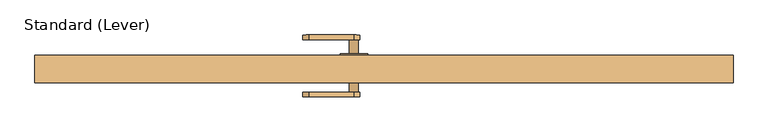
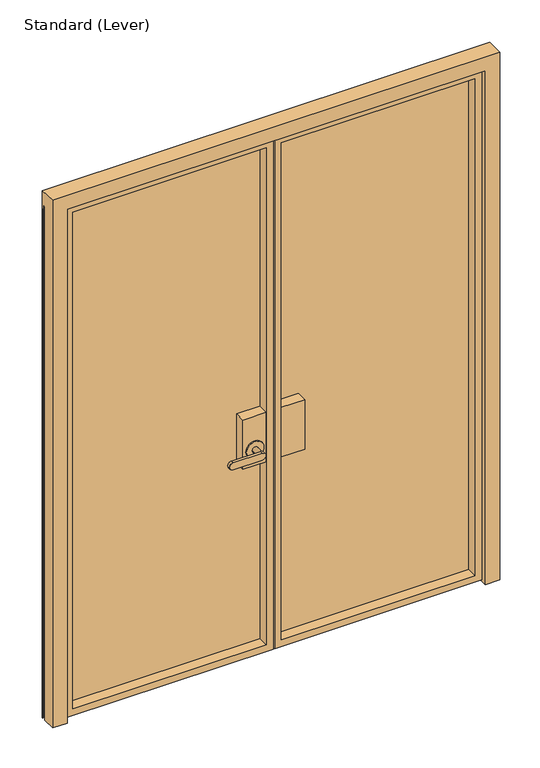
"""IFC4 building model written with IfcOpenShell, lengths in millimetres: door geometry, Standard (Lever)."""

from ifc_helpers import new_model, si_unit, frame, origin, place, context, project, spatial, polyline, circle_curve, outline, extrude, faceted_brep, source, transform, mapped, element, save
from ifc_brep_helpers import plane_surface, cylinder_surface, advanced_brep


def standard_lever_73b0fbd7(model_context):
    return source(origin(), model_context, "Body", "SolidModel", [
        extrude(outline(polyline([(33.3375, -20.6375), (33.3375, 26.9875), (134.9375, 26.9875), (134.9375, -20.6375), (33.3375, -20.6375)])), frame((0.0, 0.0, 889.0), z_axis=(0.0, 0.0, 1.0), x_axis=(1.0, 0.0, 0.0)), (0.0, 0.0, 1.0), 228.6),
        extrude(outline(polyline([(33.3375, 36.5125), (33.3375, 38.1), (134.9375, 38.1), (134.9375, 36.5125), (33.3375, 36.5125)])), frame((0.0, 0.0, 889.0), z_axis=(0.0, 0.0, 1.0), x_axis=(1.0, 0.0, 0.0)), (0.0, 0.0, 1.0), 228.6),
        advanced_brep(
        [(-33.3375, -20.6375, 1117.6), (-33.3375, 26.9875, 1117.6), (-134.9375, 26.9875, 1117.6), (-134.9375, -20.6375, 1117.6), (-33.3375, -20.6375, 889.0), (-134.9375, -20.6375, 889.0), (-134.9375, 26.9875, 889.0), (-33.3375, 26.9875, 889.0), (-46.0375, -20.6375, 965.2), (-122.2375, -20.6375, 965.2), (-71.4375, -25.4, 965.2), (-71.4375, -65.0875, 965.2), (-96.8375, -65.0875, 965.2), (-96.8375, -25.4, 965.2), (-46.0375, -25.4, 965.2), (-122.2375, -25.4, 965.2), (-84.1375, -65.0875, 949.325), (-211.1375, -65.0875, 949.325), (-211.1375, -65.0875, 981.075), (-84.1375, -65.0875, 981.075), (-84.1375, -77.7875, 949.325), (-84.1375, -77.7875, 981.075), (-211.1375, -77.7875, 981.075), (-211.1375, -77.7875, 949.325)],
        [
            (0, 1),
            (1, 2),
            (2, 3),
            (3, 0),
            (4, 5),
            (5, 6),
            (6, 7),
            (7, 4),
            (0, 4),
            (7, 1),
            (6, 2),
            (5, 3),
            (8, 9, circle_curve(frame((-84.1375, -20.6375, 965.2), z_axis=(0.0, 1.0, 0.0), x_axis=(-1.0, 0.0, 0.0)), 38.1)),
            (9, 8, circle_curve(frame((-84.1375, -20.6375, 965.2), z_axis=(0.0, 1.0, 0.0), x_axis=(-1.0, 0.0, 0.0)), 38.1)),
            (10, 11),
            (11, 12, circle_curve(frame((-84.1375, -65.0875, 965.2), z_axis=(0.0, 1.0, 0.0), x_axis=(-1.0, 0.0, 0.0)), 12.7)),
            (12, 13),
            (13, 10, circle_curve(frame((-84.1375, -25.4, 965.2), z_axis=(0.0, -1.0, 0.0), x_axis=(-1.0, 0.0, 0.0)), 12.7)),
            (10, 13, circle_curve(frame((-84.1375, -25.4, 965.2), z_axis=(0.0, -1.0, 0.0), x_axis=(-1.0, 0.0, 0.0)), 12.7)),
            (12, 11, circle_curve(frame((-84.1375, -65.0875, 965.2), z_axis=(0.0, 1.0, 0.0), x_axis=(-1.0, 0.0, 0.0)), 12.7)),
            (14, 15, circle_curve(frame((-84.1375, -25.4, 965.2), z_axis=(0.0, -1.0, 0.0), x_axis=(-1.0, 0.0, 0.0)), 38.1)),
            (15, 14, circle_curve(frame((-84.1375, -25.4, 965.2), z_axis=(0.0, -1.0, 0.0), x_axis=(-1.0, 0.0, 0.0)), 38.1)),
            (15, 9),
            (8, 14),
            (16, 17),
            (17, 18, circle_curve(frame((-211.1375, -65.0875, 965.2), z_axis=(0.0, 1.0, 0.0), x_axis=(-1.0, 0.0, 0.0)), 15.875)),
            (18, 19),
            (19, 16, circle_curve(frame((-84.1375, -65.0875, 965.2), z_axis=(0.0, 1.0, 0.0), x_axis=(-1.0, 0.0, 0.0)), 15.875)),
            (20, 21, circle_curve(frame((-84.1375, -77.7875, 965.2), z_axis=(0.0, -1.0, 0.0), x_axis=(-1.0, 0.0, 0.0)), 15.875)),
            (21, 22),
            (22, 23, circle_curve(frame((-211.1375, -77.7875, 965.2), z_axis=(0.0, -1.0, 0.0), x_axis=(-1.0, 0.0, 0.0)), 15.875)),
            (23, 20),
            (16, 20),
            (23, 17),
            (22, 18),
            (21, 19),
        ],
        [
            plane_surface(frame((-33.3375, -87.8442978, 1117.6), z_axis=(0.0, 0.0, 1.0), x_axis=(0.0, 1.0, 0.0))),
            plane_surface(frame((-33.3375, -87.8442978, 889.0), z_axis=(0.0, 0.0, -1.0), x_axis=(0.0, -1.0, 0.0))),
            plane_surface(frame((-33.3375, -20.6375, 1117.6), z_axis=(1.0, 0.0, 0.0), x_axis=(0.0, 0.0, -1.0))),
            plane_surface(frame((-33.3375, 26.9875, 1117.6), z_axis=(0.0, 1.0, 0.0), x_axis=(0.0, 0.0, -1.0))),
            plane_surface(frame((-134.9375, 26.9875, 1117.6), z_axis=(-1.0, 0.0, 0.0), x_axis=(0.0, 0.0, -1.0))),
            plane_surface(frame((-134.9375, -20.6375, 1117.6), z_axis=(0.0, -1.0, 0.0), x_axis=(0.0, 0.0, -1.0))),
            cylinder_surface(frame((-84.1375, -65.0875, 965.2), z_axis=(0.0, 1.0, 0.0), x_axis=(-1.0, 0.0, 0.0)), 12.7),
            plane_surface(frame((-122.2375, -25.4, 965.2), z_axis=(0.0, -1.0, 0.0), x_axis=(0.0, 0.0, -1.0))),
            cylinder_surface(frame((-84.1375, -25.4, 965.2), z_axis=(0.0, 1.0, 0.0), x_axis=(-1.0, 0.0, 0.0)), 38.1),
            plane_surface(frame((-84.1375, -65.0875, 949.325), z_axis=(0.0, 1.0, 0.0), x_axis=(-1.0, 0.0, 0.0))),
            plane_surface(frame((-84.1375, -77.7875, 949.325), z_axis=(0.0, -1.0, 0.0), x_axis=(1.0, 0.0, 0.0))),
            plane_surface(frame((-84.1375, -65.0875, 949.325), z_axis=(0.0, 0.0, -1.0), x_axis=(0.0, -1.0, 0.0))),
            cylinder_surface(frame((-211.1375, -77.7875, 965.2), z_axis=(0.0, 1.0, 0.0), x_axis=(-1.0, 0.0, 0.0)), 15.875),
            plane_surface(frame((-211.1375, -65.0875, 981.075), z_axis=(0.0, 0.0, 1.0), x_axis=(0.0, -1.0, 0.0))),
            cylinder_surface(frame((-84.1375, -77.7875, 965.2), z_axis=(0.0, 1.0, 0.0), x_axis=(-1.0, 0.0, 0.0)), 15.875),
        ],
        [
            (0, [[1, 2, 3, 4]]),
            (1, [[5, 6, 7, 8]]),
            (2, [[-1, 9, -8, 10]]),
            (3, [[-2, -10, -7, 11]]),
            (4, [[-3, -11, -6, 12]]),
            (5, [[-4, -12, -5, -9], [13, 14]]),
            (6, [[15, 16, 17, 18]]),
            (6, [[-15, 19, -17, 20]]),
            (7, [[21, 22], [-18, -19]]),
            (8, [[-22, 23, -13, 24]]),
            (8, [[-21, -24, -14, -23]]),
            (9, [[25, 26, 27, 28], [-16, -20]]),
            (10, [[29, 30, 31, 32]]),
            (11, [[-25, 33, -32, 34]]),
            (12, [[-26, -34, -31, 35]]),
            (13, [[-27, -35, -30, 36]]),
            (14, [[-28, -36, -29, -33]]),
        ],
    ),
        advanced_brep(
        [(-33.3375, 36.5125, 1117.6), (-33.3375, 38.1, 1117.6), (-134.9375, 38.1, 1117.6), (-134.9375, 36.5125, 1117.6), (-33.3375, 36.5125, 889.0), (-134.9375, 36.5125, 889.0), (-134.9375, 38.1, 889.0), (-33.3375, 38.1, 889.0), (-46.0375, 42.8625, 965.2), (-122.2375, 42.8625, 965.2), (-96.8375, 42.8625, 965.2), (-71.4375, 42.8625, 965.2), (-46.0375, 38.1, 965.2), (-122.2375, 38.1, 965.2), (-71.4375, 82.55, 965.2), (-96.8375, 82.55, 965.2), (-211.1375, 95.25, 949.325), (-211.1375, 95.25, 981.075), (-84.1375, 95.25, 981.075), (-84.1375, 95.25, 949.325), (-211.1375, 82.55, 949.325), (-84.1375, 82.55, 949.325), (-84.1375, 82.55, 981.075), (-211.1375, 82.55, 981.075)],
        [
            (0, 1),
            (1, 2),
            (2, 3),
            (3, 0),
            (4, 5),
            (5, 6),
            (6, 7),
            (7, 4),
            (0, 4),
            (7, 1),
            (2, 6),
            (5, 3),
            (8, 9, circle_curve(frame((-84.1375, 42.8625, 965.2), z_axis=(0.0, 1.0, 0.0), x_axis=(-1.0, 0.0, 0.0)), 38.1)),
            (9, 8, circle_curve(frame((-84.1375, 42.8625, 965.2), z_axis=(0.0, 1.0, 0.0), x_axis=(-1.0, 0.0, 0.0)), 38.1)),
            (10, 11, circle_curve(frame((-84.1375, 42.8625, 965.2), z_axis=(0.0, -1.0, 0.0), x_axis=(-1.0, 0.0, 0.0)), 12.7)),
            (11, 10, circle_curve(frame((-84.1375, 42.8625, 965.2), z_axis=(0.0, -1.0, 0.0), x_axis=(-1.0, 0.0, 0.0)), 12.7)),
            (8, 12),
            (12, 13, circle_curve(frame((-84.1375, 38.1, 965.2), z_axis=(0.0, 1.0, 0.0), x_axis=(-1.0, 0.0, 0.0)), 38.1)),
            (13, 9),
            (13, 12, circle_curve(frame((-84.1375, 38.1, 965.2), z_axis=(0.0, 1.0, 0.0), x_axis=(-1.0, 0.0, 0.0)), 38.1)),
            (14, 11),
            (10, 15),
            (15, 14, circle_curve(frame((-84.1375, 82.55, 965.2), z_axis=(0.0, -1.0, 0.0), x_axis=(-1.0, 0.0, 0.0)), 12.7)),
            (14, 15, circle_curve(frame((-84.1375, 82.55, 965.2), z_axis=(0.0, -1.0, 0.0), x_axis=(-1.0, 0.0, 0.0)), 12.7)),
            (16, 17, circle_curve(frame((-211.1375, 95.25, 965.2), z_axis=(0.0, 1.0, 0.0), x_axis=(-1.0, 0.0, 0.0)), 15.875)),
            (17, 18),
            (18, 19, circle_curve(frame((-84.1375, 95.25, 965.2), z_axis=(0.0, 1.0, 0.0), x_axis=(-1.0, 0.0, 0.0)), 15.875)),
            (19, 16),
            (20, 21),
            (21, 22, circle_curve(frame((-84.1375, 82.55, 965.2), z_axis=(0.0, -1.0, 0.0), x_axis=(-1.0, 0.0, 0.0)), 15.875)),
            (22, 23),
            (23, 20, circle_curve(frame((-211.1375, 82.55, 965.2), z_axis=(0.0, -1.0, 0.0), x_axis=(-1.0, 0.0, 0.0)), 15.875)),
            (16, 20),
            (23, 17),
            (22, 18),
            (21, 19),
        ],
        [
            plane_surface(frame((-33.3375, -87.8442978, 1117.6), z_axis=(0.0, 0.0, 1.0), x_axis=(0.0, 1.0, 0.0))),
            plane_surface(frame((-33.3375, -87.8442978, 889.0), z_axis=(0.0, 0.0, -1.0), x_axis=(0.0, -1.0, 0.0))),
            plane_surface(frame((-33.3375, 36.5125, 1117.6), z_axis=(1.0, 0.0, 0.0), x_axis=(0.0, 0.0, -1.0))),
            plane_surface(frame((-134.9375, 38.1, 1117.6), z_axis=(-1.0, 0.0, 0.0), x_axis=(0.0, 0.0, -1.0))),
            plane_surface(frame((-134.9375, 36.5125, 1117.6), z_axis=(0.0, -1.0, 0.0), x_axis=(0.0, 0.0, -1.0))),
            plane_surface(frame((-122.2375, 42.8625, 965.2), z_axis=(0.0, 1.0, 0.0), x_axis=(0.0, 0.0, 1.0))),
            cylinder_surface(frame((-84.1375, 38.1, 965.2), z_axis=(0.0, 1.0, 0.0), x_axis=(-1.0, 0.0, 0.0)), 38.1),
            cylinder_surface(frame((-84.1375, 39.6875, 965.2), z_axis=(0.0, 1.0, 0.0), x_axis=(-1.0, 0.0, 0.0)), 12.7),
            plane_surface(frame((-227.0125, 95.25, 965.2), z_axis=(0.0, 1.0, 0.0), x_axis=(0.0, 0.0, 1.0))),
            plane_surface(frame((-227.0125, 82.55, 965.2), z_axis=(0.0, -1.0, 0.0), x_axis=(0.0, 0.0, -1.0))),
            cylinder_surface(frame((-211.1375, 82.55, 965.2), z_axis=(0.0, 1.0, 0.0), x_axis=(-1.0, 0.0, 0.0)), 15.875),
            plane_surface(frame((-211.1375, 95.25, 981.075), z_axis=(0.0, 0.0, 1.0), x_axis=(0.0, -1.0, 0.0))),
            cylinder_surface(frame((-84.1375, 82.55, 965.2), z_axis=(0.0, 1.0, 0.0), x_axis=(-1.0, 0.0, 0.0)), 15.875),
            plane_surface(frame((-84.1375, 95.25, 949.325), z_axis=(0.0, 0.0, -1.0), x_axis=(0.0, -1.0, 0.0))),
            plane_surface(frame((-33.3375, 38.1, 1117.6), z_axis=(0.0, 1.0, 0.0), x_axis=(0.0, 0.0, -1.0))),
        ],
        [
            (0, [[1, 2, 3, 4]]),
            (1, [[5, 6, 7, 8]]),
            (2, [[-1, 9, -8, 10]]),
            (3, [[-3, 11, -6, 12]]),
            (4, [[-4, -12, -5, -9]]),
            (5, [[13, 14], [15, 16]]),
            (6, [[-13, 17, 18, 19]]),
            (6, [[-14, -19, 20, -17]]),
            (7, [[21, -15, 22, 23]]),
            (7, [[-21, 24, -22, -16]]),
            (8, [[25, 26, 27, 28]]),
            (9, [[29, 30, 31, 32], [-23, -24]]),
            (10, [[-25, 33, -32, 34]]),
            (11, [[-26, -34, -31, 35]]),
            (12, [[-27, -35, -30, 36]]),
            (13, [[-28, -36, -29, -33]]),
            (14, [[-2, -10, -7, -11], [-18, -20]]),
        ],
    ),
        faceted_brep([(-892.175, 36.5125, 2352.675), (-892.175, 26.9875, 2352.675), (-892.175, 26.9875, 30.1625), (-892.175, 36.5125, 30.1625), (-20.6375, 26.9875, 2352.675), (-20.6375, 26.9875, 30.1625), (-879.475, 26.9875, 2339.975), (-879.475, 26.9875, 42.8625), (-33.3375, 26.9875, 42.8625), (-33.3375, 26.9875, 2339.975), (-20.6375, 36.5125, 30.1625), (-20.6375, 36.5125, 2352.675), (-879.475, 36.5125, 42.8625), (-879.475, 36.5125, 2339.975), (-33.3375, 36.5125, 2339.975), (-33.3375, 36.5125, 42.8625), (-879.475, 38.1, 2339.975), (-879.475, 38.1, 42.8625), (-33.3375, 38.1, 42.8625), (-893.7625, 38.1, 28.575), (-893.7625, 38.1, 2354.2625), (-3.175, 38.1, 2354.2625), (-3.175, 38.1, 28.575), (-33.3375, 38.1, 2339.975), (-893.7625, 23.8125, 2354.2625), (-893.7625, 23.8125, 28.575), (-3.175, 23.8125, 28.575), (-3.175, 23.8125, 12.7), (-909.6375, 23.8125, 12.7), (-909.6375, 23.8125, 2370.1375), (-3.175, 23.8125, 2370.1375), (-3.175, 23.8125, 2354.2625), (-909.6375, -20.6375, 2370.1375), (-909.6375, -20.6375, 12.7), (-3.175, -20.6375, 12.7), (-3.175, -20.6375, 2370.1375), (-879.475, -20.6375, 42.8625), (-879.475, -20.6375, 2339.975), (-33.3375, -20.6375, 2339.975), (-33.3375, -20.6375, 42.8625)], [[[0, 1, 2, 3]], [[2, 1, 4, 5], [6, 7, 8, 9]], [[3, 2, 5, 10]], [[0, 3, 10, 11], [12, 13, 14, 15]], [[16, 13, 12, 17]], [[17, 12, 15, 18]], [[19, 20, 21, 22], [16, 17, 18, 23]], [[24, 20, 19, 25]], [[25, 19, 22, 26]], [[24, 25, 26, 27, 28, 29, 30, 31]], [[32, 29, 28, 33]], [[33, 28, 27, 34]], [[32, 33, 34, 35], [36, 37, 38, 39]], [[10, 5, 4, 11]], [[18, 15, 14, 23]], [[34, 27, 26, 22, 21, 31, 30, 35]], [[6, 37, 36, 7]], [[7, 36, 39, 8]], [[8, 39, 38, 9]], [[1, 0, 11, 4]], [[13, 16, 23, 14]], [[20, 24, 31, 21]], [[29, 32, 35, 30]], [[37, 6, 9, 38]]]),
        faceted_brep([(3.175, 23.8125, 28.575), (3.175, 38.1, 28.575), (893.7625, 38.1, 28.575), (893.7625, 23.8125, 28.575), (3.175, 23.8125, 2354.2625), (3.175, 38.1, 2354.2625), (3.175, 23.8125, 12.7), (3.175, -20.6375, 12.7), (3.175, -20.6375, 2370.1375), (3.175, 23.8125, 2370.1375), (893.7625, 38.1, 2354.2625), (33.3375, 38.1, 42.8625), (879.475, 38.1, 42.8625), (879.475, 38.1, 2339.975), (33.3375, 38.1, 2339.975), (893.7625, 23.8125, 2354.2625), (909.6375, 23.8125, 12.7), (909.6375, 23.8125, 2370.1375), (879.475, 36.5125, 42.8625), (33.3375, 36.5125, 42.8625), (879.475, 36.5125, 2339.975), (33.3375, 36.5125, 2339.975), (909.6375, -20.6375, 12.7), (909.6375, -20.6375, 2370.1375), (879.475, -20.6375, 42.8625), (33.3375, -20.6375, 42.8625), (33.3375, -20.6375, 2339.975), (879.475, -20.6375, 2339.975), (20.6375, 36.5125, 30.1625), (892.175, 36.5125, 30.1625), (892.175, 36.5125, 2352.675), (20.6375, 36.5125, 2352.675), (892.175, 26.9875, 30.1625), (892.175, 26.9875, 2352.675), (20.6375, 26.9875, 30.1625), (20.6375, 26.9875, 2352.675), (33.3375, 26.9875, 42.8625), (879.475, 26.9875, 42.8625), (879.475, 26.9875, 2339.975), (33.3375, 26.9875, 2339.975)], [[[0, 1, 2, 3]], [[4, 5, 1, 0, 6, 7, 8, 9]], [[5, 10, 2, 1], [11, 12, 13, 14]], [[3, 2, 10, 15]], [[16, 6, 0, 3, 15, 4, 9, 17]], [[18, 12, 11, 19]], [[12, 18, 20, 13]], [[19, 11, 14, 21]], [[16, 22, 7, 6]], [[7, 22, 23, 8], [24, 25, 26, 27]], [[22, 16, 17, 23]], [[28, 29, 30, 31], [18, 19, 21, 20]], [[29, 32, 33, 30]], [[32, 29, 28, 34]], [[34, 28, 31, 35]], [[32, 34, 35, 33], [36, 37, 38, 39]], [[37, 24, 27, 38]], [[24, 37, 36, 25]], [[25, 36, 39, 26]], [[5, 4, 15, 10]], [[21, 14, 13, 20]], [[9, 8, 23, 17]], [[35, 31, 30, 33]], [[26, 39, 38, 27]]]),
        extrude(outline(polyline([(20.6375, 26.9875), (20.6375, 36.5125), (892.175, 36.5125), (892.175, 26.9875), (20.6375, 26.9875)])), frame((0.0, 0.0, 30.1625), z_axis=(0.0, 0.0, 1.0), x_axis=(1.0, 0.0, 0.0)), (0.0, 0.0, 1.0), 2322.5125),
        extrude(outline(polyline([(-20.6375, 36.5125), (-20.6375, 26.9875), (-892.175, 26.9875), (-892.175, 36.5125), (-20.6375, 36.5125)])), frame((0.0, 0.0, 30.1625), z_axis=(0.0, 0.0, 1.0), x_axis=(1.0, 0.0, 0.0)), (0.0, 0.0, 1.0), 2322.5125),
        faceted_brep([(976.3124977, 36.5125, 0.0), (977.8999977, 36.5125, 0.0), (977.9, 36.5125, 2360.6125), (976.3124977, 36.5125, 2360.6125), (977.9, 26.9875, 2374.9), (977.9, 26.9875, 2360.6125), (977.9, 38.1, 0.0), (977.9, 38.1, 2438.4), (977.9, -38.1, 2438.4), (977.9, -38.1, 0.0), (977.9, 19.0500031, 0.0), (977.9, 19.0500031, 2374.9), (914.4, 26.9875, 0.0), (900.1125, 26.9875, 0.0), (900.1125, 38.1, 0.0), (976.3124977, 37.30625, 0.0), (946.15, 37.30625, 0.0), (946.15, 19.05, 0.0), (967.5742434, 19.05, 0.0), (968.574256, 18.0499874, 0.0), (967.0000186, 18.0499874, 0.0), (967.0000186, 16.24994, 0.0), (972.0000134, 16.24994, 0.0), (972.0000134, 18.0499874, 0.0), (970.4257405, 18.0499874, 0.0), (971.4257562, 19.0500031, 0.0), (914.4, -38.1, 0.0), (-977.8999977, 38.1, 0.0), (-977.9, 38.1, 2438.4), (900.1125, 38.1, 2360.6125), (-900.1125, 38.1, 2360.6125), (-900.1125, 38.1, 0.0), (-977.9, -38.1, 2438.4), (-977.9, -38.1, 0.0), (-914.4, -38.1, 0.0), (-914.4, -38.1, 2374.9), (914.4, -38.1, 2374.9), (971.4257562, 19.0500031, 2374.9), (-914.4, 26.9875, 0.0), (-977.9, 19.0500031, 0.0), (-971.4257562, 19.0500031, 0.0), (-970.4257405, 18.0499874, 0.0), (-972.0000134, 18.0499874, 0.0), (-972.0000134, 16.24994, 0.0), (-967.0000186, 16.24994, 0.0), (-967.0000186, 18.0499874, 0.0), (-968.574256, 18.0499874, 0.0), (-967.5742434, 19.05, 0.0), (-946.15, 19.05, 0.0), (-946.15, 37.30625, 0.0), (-976.3124977, 37.30625, 0.0), (-976.3124977, 36.5125, 0.0), (-977.8999977, 36.5125, 0.0), (-900.1125, 26.9875, 0.0), (-977.9, 36.5125, 2360.6125), (-977.9, 26.9875, 2360.6125), (-977.9, 26.9875, 2374.9), (-977.9, 19.0500031, 2374.9), (-976.3124977, 36.5125, 2360.6125), (-971.4257562, 19.0500031, 2374.9), (914.4, 26.9875, 2374.9), (-914.4, 26.9875, 2374.9), (-900.1125, 26.9875, 2360.6125), (900.1125, 26.9875, 2360.6125), (946.15, 26.9875, 2374.9), (946.15, 26.9875, 2360.6125), (-946.15, 26.9875, 2360.6125), (-946.15, 26.9875, 2374.9), (976.3124977, 37.30625, 2360.6125), (946.15, 37.30625, 2360.6125), (946.15, 19.05, 2374.9), (967.5742434, 19.05, 2374.9), (968.574256, 18.0499874, 2374.9), (967.0000186, 18.0499874, 2374.9), (967.0000186, 16.24994, 2374.9), (972.0000134, 16.24994, 2374.9), (972.0000134, 18.0499874, 2374.9), (970.4257405, 18.0499874, 2374.9), (-970.4257405, 18.0499874, 2374.9), (-972.0000134, 18.0499874, 2374.9), (-972.0000134, 16.24994, 2374.9), (-967.0000186, 16.24994, 2374.9), (-967.0000186, 18.0499874, 2374.9), (-968.574256, 18.0499874, 2374.9), (-967.5742434, 19.05, 2374.9), (-946.15, 19.05, 2374.9), (-946.15, 37.30625, 2360.6125), (-976.3124977, 37.30625, 2360.6125)], [[[0, 1, 2, 3]], [[4, 5, 2, 1, 6, 7, 8, 9, 10, 11]], [[12, 13, 14, 6, 1, 0, 15, 16, 17, 18, 19, 20, 21, 22, 23, 24, 25, 10, 9, 26]], [[27, 28, 7, 6, 14, 29, 30, 31]], [[32, 33, 34, 35, 36, 26, 9, 8]], [[10, 25, 37, 11]], [[38, 34, 33, 39, 40, 41, 42, 43, 44, 45, 46, 47, 48, 49, 50, 51, 52, 27, 31, 53]], [[27, 52, 54, 55, 56, 57, 39, 33, 32, 28]], [[52, 51, 58, 54]], [[40, 39, 57, 59]], [[13, 12, 60, 61, 38, 53, 62, 63]], [[5, 4, 64, 65]], [[56, 55, 66, 67]], [[12, 26, 36, 60]], [[34, 38, 61, 35]], [[53, 31, 30, 62]], [[14, 13, 63, 29]], [[15, 0, 3, 68]], [[16, 15, 68, 69]], [[17, 16, 69, 65, 64, 70]], [[18, 17, 70, 71]], [[19, 18, 71, 72]], [[20, 19, 72, 73]], [[21, 20, 73, 74]], [[22, 21, 74, 75]], [[23, 22, 75, 76]], [[24, 23, 76, 77]], [[25, 24, 77, 37]], [[41, 40, 59, 78]], [[42, 41, 78, 79]], [[43, 42, 79, 80]], [[44, 43, 80, 81]], [[45, 44, 81, 82]], [[46, 45, 82, 83]], [[47, 46, 83, 84]], [[48, 47, 84, 85]], [[49, 48, 85, 67, 66, 86]], [[50, 49, 86, 87]], [[51, 50, 87, 58]], [[2, 5, 65, 69, 68, 3]], [[29, 63, 62, 30]], [[55, 54, 58, 87, 86, 66]], [[32, 8, 7, 28]], [[4, 11, 37, 77, 76, 75, 74, 73, 72, 71, 70, 64]], [[61, 60, 36, 35]], [[57, 56, 67, 85, 84, 83, 82, 81, 80, 79, 78, 59]]]),
    ])


if __name__ == "__main__":
    model = new_model("IFC4")
    model_context = context("Model", 3, world=origin())
    ifc_project = project(units=[si_unit("LENGTHUNIT", "METRE", prefix="MILLI")], contexts=[model_context])
    site = spatial("IfcSite", under=ifc_project)
    building = spatial("IfcBuilding", under=site)
    placement = place(None, origin())
    standard_lever_shape = standard_lever_73b0fbd7(model_context)
    element("IfcDoor", 1, ObjectType="Standard (Lever)", at=placement, inside=building, context=model_context, shape_type="MappedRepresentation", body=[
        mapped(standard_lever_shape, transform((0.0, 0.0, 0.0), x_axis=(1.0, 0.0, 0.0), y_axis=(0.0, 1.0, 0.0), z_axis=(0.0, 0.0, 1.0))),
    ])
    save(model, "model.ifc")
